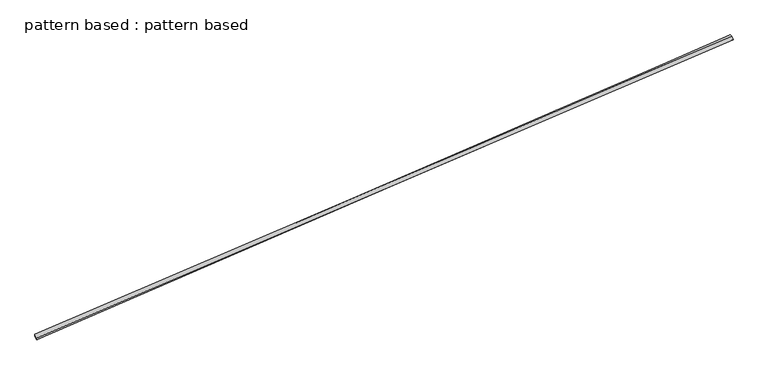
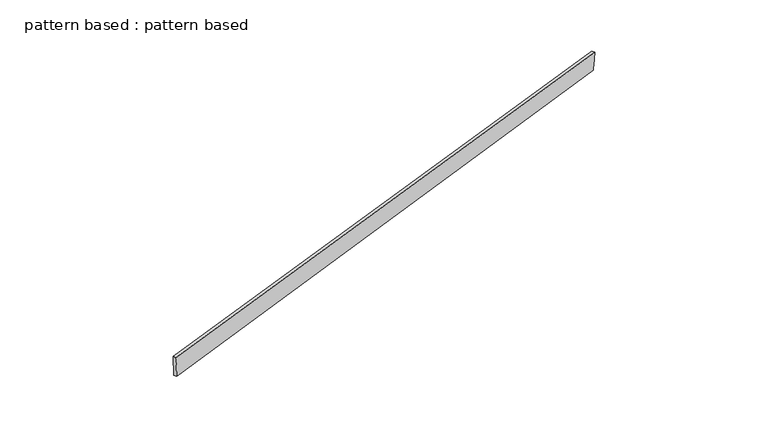
"""IFC4 building model written with IfcOpenShell, lengths in millimetres: plate geometry, pattern based : pattern based."""

from ifc_helpers import new_model, si_unit, frame, origin, place, context, project, spatial, source, transform, mapped, element, save
from ifc_brep_helpers import plane_surface, spline_surface, advanced_brep


def pattern_based_pattern_based_5ab7f5d7(model_context):
    return source(origin(), model_context, "Body", "AdvancedBrep", [
        advanced_brep(
        [(2720.251864, 2720.251864, 62.1063641), (2720.1776043, 2730.3766412, 211.7642518), (2710.2911673, 2753.3386593, 211.8282173), (2710.365427, 2743.213882, 62.1703295), (7060.6499574, 4588.967677, 86.9186248), (7050.7635205, 4611.929695, 86.9825902), (7053.0064232, 4596.6671211, -62.6885105), (7043.1199862, 4619.6291391, -62.6245451)],
        [
            (0, 1),
            (1, 2),
            (2, 3),
            (3, 0),
            (1, 4),
            (4, 5),
            (5, 2),
            (4, 6),
            (6, 7),
            (7, 5),
            (6, 0),
            (3, 7),
        ],
        [
            plane_surface(frame((2720.2147341, 2725.3142526, 136.9353079), z_axis=(-0.9181395762747614, -0.39538384309578406, 0.026293251925353874), x_axis=(-0.0004950647594809008, 0.06749851480490385, 0.9977192517988295))),
            plane_surface(frame((4890.4137809, 3659.6721591, 149.3414383), z_axis=(0.02528396465693863, 0.00810144179652016, 0.9996474817514645), x_axis=(0.9189473758229527, 0.3934934302309869, -0.02643181479127928))),
            plane_surface(frame((7056.8281903, 4592.8173991, 12.1150571), z_axis=(0.9181328302745857, 0.3953816815547233, -0.026559967299270897), x_axis=(-0.050956895257904644, 0.051329627200592746, -0.9973809022620812))),
            plane_surface(frame((4886.6291436, 3658.4594925, -0.2910732), z_axis=(-0.025283964656938447, -0.008101441796520677, -0.9996474817514645), x_axis=(-0.9173211517341399, -0.3972704618424591, 0.026421293091566316))),
            spline_surface(1, 1, [[(2710.2911673, 2753.3386593, 211.8282173), (2710.365427, 2743.213882, 62.1703295)], [(7050.7635205, 4611.929695, 86.9825902), (7043.1199862, 4619.6291391, -62.6245451)]], [2, 2], [2, 2], [0.0, 1.0], [0.0, 1.0]),
            spline_surface(1, 1, [[(7053.0064232, 4596.6671211, -62.6885105), (2720.251864, 2720.251864, 62.1063641)], [(7060.6499574, 4588.967677, 86.9186248), (2720.1776043, 2730.3766412, 211.7642518)]], [2, 2], [2, 2], [0.0, 1.0], [0.0, 1.0]),
        ],
        [
            (0, [[1, 2, 3, 4]]),
            (1, [[5, 6, 7, -2]]),
            (2, [[8, 9, 10, -6]]),
            (3, [[11, -4, 12, -9]]),
            (4, [[-3, -7, -10, -12]]),
            (5, [[-11, -8, -5, -1]]),
        ],
    ),
    ])


if __name__ == "__main__":
    model = new_model("IFC4")
    model_context = context("Model", 3, world=origin())
    ifc_project = project(units=[si_unit("LENGTHUNIT", "METRE", prefix="MILLI")], contexts=[model_context])
    site = spatial("IfcSite", under=ifc_project)
    building = spatial("IfcBuilding", under=site)
    placement = place(None, origin())
    pattern_based_pattern_based_shape = pattern_based_pattern_based_5ab7f5d7(model_context)
    element("IfcPlate", 1, ObjectType="pattern based : pattern based", at=placement, inside=building, context=model_context, shape_type="MappedRepresentation", body=[
        mapped(pattern_based_pattern_based_shape, transform((0.0, 0.0, 0.0), x_axis=(1.0, 0.0, 0.0), y_axis=(0.0, 1.0, 0.0), z_axis=(0.0, 0.0, 1.0))),
    ])
    save(model, "model.ifc")
